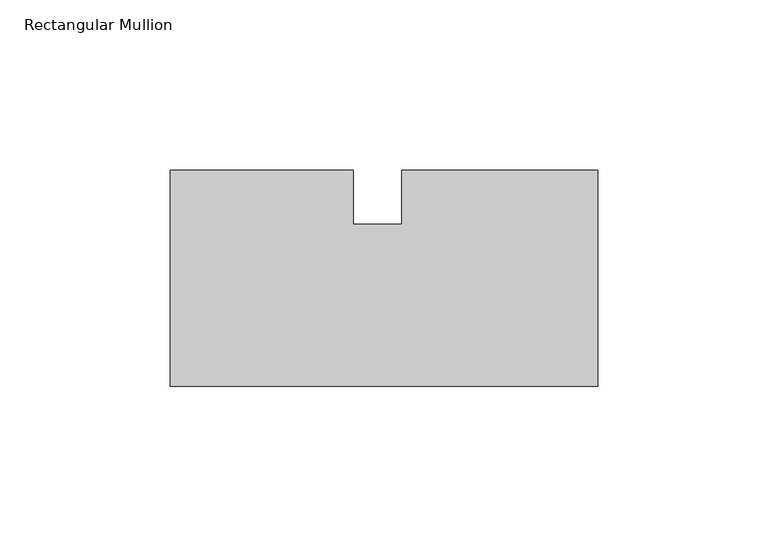
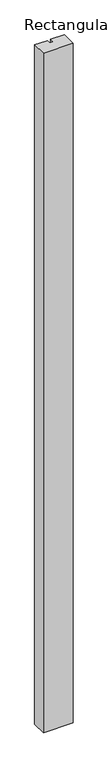
"""IFC4 building model written with IfcOpenShell, lengths in millimetres: member geometry, Rectangular Mullion."""

from ifc_helpers import new_model, si_unit, frame, origin, place, context, project, spatial, polyline, outline, extrude, source, transform, mapped, element, save


def rectangular_mullion_f57e0b55(model_context):
    return source(origin(), model_context, "Body", "SweptSolid", [
        extrude(outline(polyline([(0.0, -63.5), (-125.7808, -63.5), (-125.7808, 0.0), (-71.9412219, 0.0), (-71.9412219, -15.8877), (-57.648423, -15.8877), (-57.648423, 0.0), (0.0, 0.0), (0.0, -63.5)])), frame((0.0, 0.0, -3048.0), z_axis=(0.0, 0.0, 1.0), x_axis=(1.0, 0.0, 0.0)), (0.0, 0.0, 1.0), 3048.0),
    ])


if __name__ == "__main__":
    model = new_model("IFC4")
    model_context = context("Model", 3, world=origin())
    ifc_project = project(units=[si_unit("LENGTHUNIT", "METRE", prefix="MILLI")], contexts=[model_context])
    site = spatial("IfcSite", under=ifc_project)
    building = spatial("IfcBuilding", under=site)
    placement = place(None, origin())
    rectangular_mullion_shape = rectangular_mullion_f57e0b55(model_context)
    element("IfcMember", 1, ObjectType="Rectangular Mullion", at=placement, inside=building, context=model_context, shape_type="MappedRepresentation", body=[
        mapped(rectangular_mullion_shape, transform((0.0, 0.0, 0.0), x_axis=(1.0, 0.0, 0.0), y_axis=(0.0, 1.0, 0.0), z_axis=(0.0, 0.0, 1.0))),
    ])
    save(model, "model.ifc")
